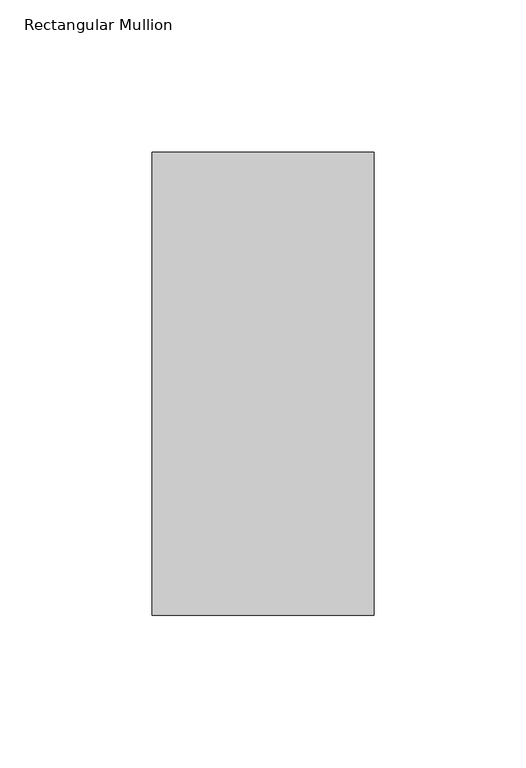
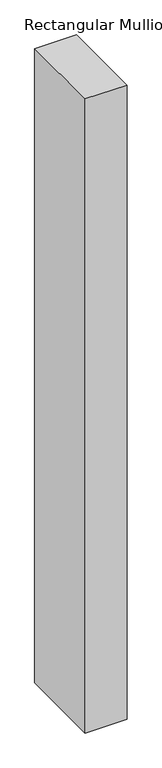
"""IFC4 building model written with IfcOpenShell, lengths in millimetres: member geometry, Rectangular Mullion."""

from ifc_helpers import new_model, si_unit, frame, origin, place, context, project, spatial, polyline, outline, extrude, source, transform, mapped, element, save


def rectangular_mullion_da9d71c7(model_context):
    return source(origin(), model_context, "Body", "SweptSolid", [
        extrude(outline(polyline([(0.0, 26.19375), (0.0, -126.20625), (-73.0248478, -126.20625), (-73.0248478, 26.19375), (0.0, 26.19375)])), frame((0.0, 0.0, -1168.4), z_axis=(0.0, 0.0, 1.0), x_axis=(1.0, 0.0, 0.0)), (0.0, 0.0, 1.0), 1168.4),
    ])


if __name__ == "__main__":
    model = new_model("IFC4")
    model_context = context("Model", 3, world=origin())
    ifc_project = project(units=[si_unit("LENGTHUNIT", "METRE", prefix="MILLI")], contexts=[model_context])
    site = spatial("IfcSite", under=ifc_project)
    building = spatial("IfcBuilding", under=site)
    placement = place(None, origin())
    rectangular_mullion_shape = rectangular_mullion_da9d71c7(model_context)
    element("IfcMember", 1, ObjectType="Rectangular Mullion", at=placement, inside=building, context=model_context, shape_type="MappedRepresentation", body=[
        mapped(rectangular_mullion_shape, transform((0.0, 0.0, 0.0), x_axis=(1.0, 0.0, 0.0), y_axis=(0.0, 1.0, 0.0), z_axis=(0.0, 0.0, 1.0))),
    ])
    save(model, "model.ifc")
